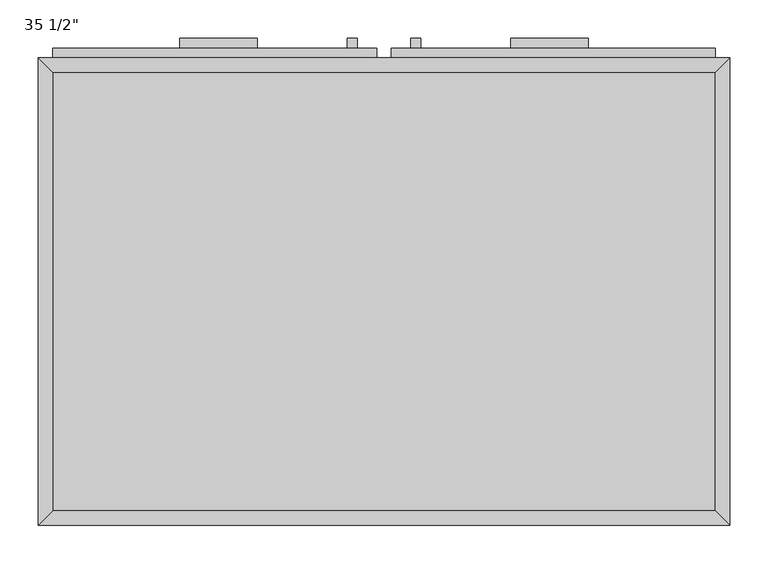
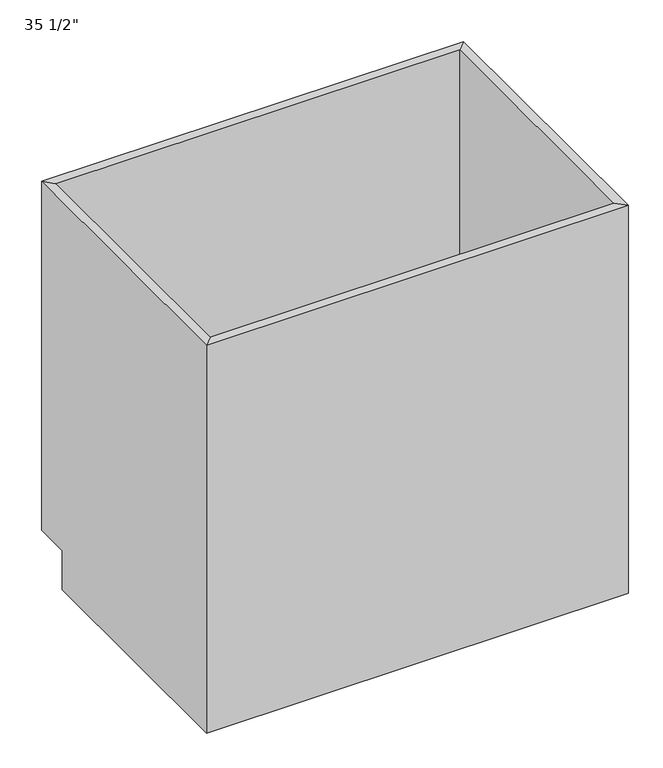
"""IFC4 building model written with IfcOpenShell, lengths in millimetres: furniture geometry."""

from ifc_helpers import new_model, si_unit, frame, origin, place, context, project, spatial, polyline, outline, extrude, faceted_brep, source, transform, mapped, element, save


def furniture_b9a858d3(model_context):
    return source(origin(), model_context, "Body", "SolidModel", [
        faceted_brep([(450.5377049, 590.55, 876.3), (-413.0622951, 590.55, 876.3), (-413.0622951, 590.55, 88.9), (450.5377049, 590.55, 88.9), (469.5877049, 609.6, 876.3), (-432.1122951, 609.6, 876.3), (469.5877049, 609.6, 88.9), (-432.1122951, 609.6, 88.9), (-413.0622951, 19.05, 876.3), (-413.0622951, 19.05, 88.9), (-413.0622951, 533.4, 88.9), (-432.1122951, 0.0, 876.3), (-432.1122951, 533.4, 88.9), (-432.1122951, 533.4, 0.0), (-432.1122951, 0.0, 0.0), (450.5377049, 19.05, 876.3), (450.5377049, 19.05, 88.9), (469.5877049, 0.0, 876.3), (469.5877049, 0.0, 0.0), (450.5377049, 533.4, 88.9), (469.5877049, 533.4, 0.0), (469.5877049, 533.4, 88.9)], [[[0, 1, 2, 3]], [[0, 4, 5, 1]], [[4, 6, 7, 5]], [[2, 7, 6, 3]], [[1, 8, 9, 10, 2]], [[5, 11, 8, 1]], [[7, 12, 13, 14, 11, 5]], [[2, 10, 12, 7]], [[8, 15, 16, 9]], [[11, 17, 15, 8]], [[14, 18, 17, 11]], [[3, 19, 16, 15, 0]], [[0, 15, 17, 4]], [[4, 17, 18, 20, 21, 6]], [[6, 21, 19, 3]], [[10, 9, 16, 19]], [[18, 14, 13, 20]], [[13, 12, 10, 19, 21, 20]]]),
        extrude(outline(polyline([(-146.3622951, 635.0), (-146.3622951, 622.3), (-247.9622951, 622.3), (-247.9622951, 635.0), (-146.3622951, 635.0)])), frame((0.0, 0.0, 819.15), z_axis=(0.0, 0.0, 1.0), x_axis=(1.0, 0.0, 0.0)), (0.0, 0.0, 1.0), 12.7),
        extrude(outline(polyline([(285.4377049, 635.0), (285.4377049, 622.3), (183.8377049, 622.3), (183.8377049, 635.0), (285.4377049, 635.0)])), frame((0.0, 0.0, 819.15), z_axis=(0.0, 0.0, 1.0), x_axis=(1.0, 0.0, 0.0)), (0.0, 0.0, 1.0), 12.7),
        extrude(outline(polyline([(-16.1872951, 635.0), (-16.1872951, 622.3), (-28.8872951, 622.3), (-28.8872951, 635.0), (-16.1872951, 635.0)])), frame((0.0, 0.0, 596.9), z_axis=(0.0, 0.0, 1.0), x_axis=(1.0, 0.0, 0.0)), (0.0, 0.0, 1.0), 101.6),
        extrude(outline(polyline([(66.3627049, 635.0), (66.3627049, 622.3), (53.6627049, 622.3), (53.6627049, 635.0), (66.3627049, 635.0)])), frame((0.0, 0.0, 596.9), z_axis=(0.0, 0.0, 1.0), x_axis=(1.0, 0.0, 0.0)), (0.0, 0.0, 1.0), 101.6),
        extrude(outline(polyline([(450.5377049, 19.05), (-413.0622951, 19.05), (-413.0622951, 590.55), (450.5377049, 590.55), (450.5377049, 19.05)])), frame((0.0, 0.0, 88.9), z_axis=(0.0, 0.0, 1.0), x_axis=(1.0, 0.0, 0.0)), (0.0, 0.0, 1.0), 19.05),
        extrude(outline(polyline([(9.2127049, 622.3), (9.2127049, 609.6), (-413.0622951, 609.6), (-413.0622951, 622.3), (9.2127049, 622.3)])), frame((0.0, 0.0, 755.65), z_axis=(0.0, 0.0, 1.0), x_axis=(1.0, 0.0, 0.0)), (0.0, 0.0, 1.0), 101.6),
        extrude(outline(polyline([(450.5377049, 622.3), (450.5377049, 609.6), (28.2627049, 609.6), (28.2627049, 622.3), (450.5377049, 622.3)])), frame((0.0, 0.0, 755.65), z_axis=(0.0, 0.0, 1.0), x_axis=(1.0, 0.0, 0.0)), (0.0, 0.0, 1.0), 101.6),
        extrude(outline(polyline([(9.2127049, 622.3), (9.2127049, 609.6), (-413.0622951, 609.6), (-413.0622951, 622.3), (9.2127049, 622.3)])), frame((0.0, 0.0, 107.95), z_axis=(0.0, 0.0, 1.0), x_axis=(1.0, 0.0, 0.0)), (0.0, 0.0, 1.0), 628.65),
        extrude(outline(polyline([(450.5377049, 622.3), (450.5377049, 609.6), (28.2627049, 609.6), (28.2627049, 622.3), (450.5377049, 622.3)])), frame((0.0, 0.0, 107.95), z_axis=(0.0, 0.0, 1.0), x_axis=(1.0, 0.0, 0.0)), (0.0, 0.0, 1.0), 628.65),
    ])


if __name__ == "__main__":
    model = new_model("IFC4")
    model_context = context("Model", 3, world=origin())
    ifc_project = project(units=[si_unit("LENGTHUNIT", "METRE", prefix="MILLI")], contexts=[model_context])
    site = spatial("IfcSite", under=ifc_project)
    building = spatial("IfcBuilding", under=site)
    placement = place(None, origin())
    furniture_shape = furniture_b9a858d3(model_context)
    element("IfcFurniture", 1, ObjectType="35 1/2\"", at=placement, inside=building, context=model_context, shape_type="MappedRepresentation", body=[
        mapped(furniture_shape, transform((0.0, 0.0, 0.0), x_axis=(1.0, 0.0, 0.0), y_axis=(0.0, 1.0, 0.0), z_axis=(0.0, 0.0, 1.0))),
    ])
    save(model, "model.ifc")
